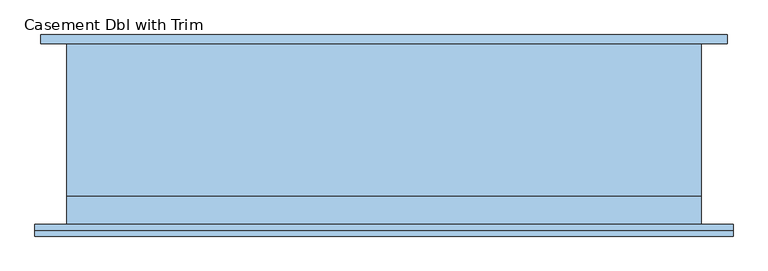
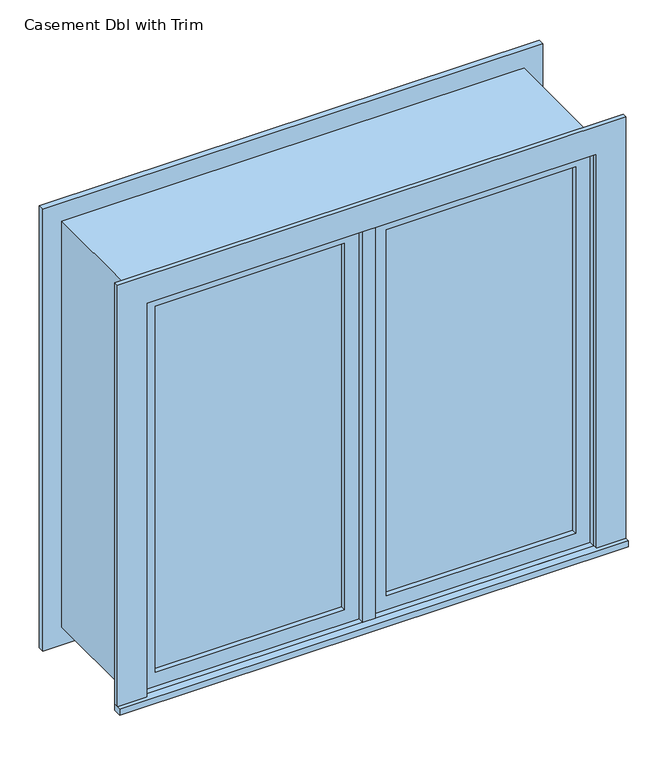
"""IFC4 building model written with IfcOpenShell, lengths in millimetres: window geometry, Casement Dbl with Trim."""

from ifc_helpers import new_model, si_unit, frame, origin, place, context, project, spatial, polyline, outline, extrude, source, transform, mapped, element, save


def casement_dbl_with_trim_906f9ae6(model_context):
    return source(origin(), model_context, "Body", "SweptSolid", [
        extrude(outline(polyline([(63.5, -184.125), (63.5, -171.425), (636.5, -171.425), (636.5, -184.125), (63.5, -184.125)])), frame((0.0, 0.0, 1363.5), z_axis=(0.0, 0.0, 1.0), x_axis=(1.0, 0.0, 0.0)), (0.0, 0.0, 1.0), 1173.0),
        extrude(outline(polyline([(2580.95, 19.05), (1319.05, 19.05), (1319.05, 680.95), (2580.95, 680.95), (2580.95, 19.05)]), holes=[polyline([(2536.5, 63.5), (2536.5, 636.5), (1363.5, 636.5), (1363.5, 63.5), (2536.5, 63.5)])]), frame((0.0, -200.0, 0.0), z_axis=(0.0, 1.0, 0.0), x_axis=(0.0, 0.0, 1.0)), (0.0, 0.0, 1.0), 44.45),
        extrude(outline(polyline([(19.05, -155.55), (19.05, -219.05), (-19.05, -219.05), (-19.05, -155.55), (19.05, -155.55)])), frame((0.0, 0.0, 1319.05), z_axis=(0.0, 0.0, 1.0), x_axis=(1.0, 0.0, 0.0)), (0.0, 0.0, 1.0), 1261.9),
        extrude(outline(polyline([(-769.85, -244.45), (-769.85, -219.05), (769.85, -219.05), (769.85, -244.45), (-769.85, -244.45)])), frame((0.0, 0.0, 1300.0), z_axis=(0.0, 0.0, 1.0), x_axis=(1.0, 0.0, 0.0)), (0.0, 0.0, 1.0), 19.05),
        extrude(outline(polyline([(2580.95, -680.95), (2580.95, 680.95), (1319.05, 680.95), (1319.05, 769.85), (2669.85, 769.85), (2669.85, -769.85), (1319.05, -769.85), (1319.05, -680.95), (2580.95, -680.95)])), frame((0.0, -231.75, 0.0), z_axis=(0.0, 1.0, 0.0), x_axis=(0.0, 0.0, 1.0)), (0.0, 0.0, 1.0), 12.7),
        extrude(outline(polyline([(2657.15, 757.15), (2657.15, -757.15), (1242.85, -757.15), (1242.85, 757.15), (2657.15, 757.15)]), holes=[polyline([(2568.25, 668.25), (1331.75, 668.25), (1331.75, -668.25), (2568.25, -668.25), (2568.25, 668.25)])]), frame((0.0, 180.95, 0.0), z_axis=(0.0, 1.0, 0.0), x_axis=(0.0, 0.0, 1.0)), (0.0, 0.0, 1.0), 19.05),
        extrude(outline(polyline([(-63.5, -171.425), (-63.5, -184.125), (-636.5, -184.125), (-636.5, -171.425), (-63.5, -171.425)])), frame((0.0, 0.0, 1363.5), z_axis=(0.0, 0.0, 1.0), x_axis=(1.0, 0.0, 0.0)), (0.0, 0.0, 1.0), 1173.0),
        extrude(outline(polyline([(2580.95, -680.95), (1319.05, -680.95), (1319.05, -19.05), (2580.95, -19.05), (2580.95, -680.95)]), holes=[polyline([(2536.5, -636.5), (2536.5, -63.5), (1363.5, -63.5), (1363.5, -636.5), (2536.5, -636.5)])]), frame((0.0, -200.0, 0.0), z_axis=(0.0, 1.0, 0.0), x_axis=(0.0, 0.0, 1.0)), (0.0, 0.0, 1.0), 44.45),
        extrude(outline(polyline([(2600.0, -700.0), (1300.0, -700.0), (1300.0, 700.0), (2600.0, 700.0), (2600.0, -700.0)]), holes=[polyline([(2568.25, -668.25), (2568.25, 668.25), (1331.75, 668.25), (1331.75, -668.25), (2568.25, -668.25)])]), frame((0.0, -155.55, 0.0), z_axis=(0.0, 1.0, 0.0), x_axis=(0.0, 0.0, 1.0)), (0.0, 0.0, 1.0), 336.5),
        extrude(outline(polyline([(2600.0, 700.0), (2600.0, -700.0), (1300.0, -700.0), (1300.0, 700.0), (2600.0, 700.0)]), holes=[polyline([(2580.95, 680.95), (1319.05, 680.95), (1319.05, -680.95), (2580.95, -680.95), (2580.95, 680.95)])]), frame((0.0, -219.05, 0.0), z_axis=(0.0, 1.0, 0.0), x_axis=(0.0, 0.0, 1.0)), (0.0, 0.0, 1.0), 63.5),
    ])


if __name__ == "__main__":
    model = new_model("IFC4")
    model_context = context("Model", 3, world=origin())
    ifc_project = project(units=[si_unit("LENGTHUNIT", "METRE", prefix="MILLI")], contexts=[model_context])
    site = spatial("IfcSite", under=ifc_project)
    building = spatial("IfcBuilding", under=site)
    placement = place(None, origin())
    casement_dbl_with_trim_shape = casement_dbl_with_trim_906f9ae6(model_context)
    element("IfcWindow", 1, ObjectType="Casement Dbl with Trim", at=placement, inside=building, context=model_context, shape_type="MappedRepresentation", body=[
        mapped(casement_dbl_with_trim_shape, transform((0.0, 0.0, 0.0), x_axis=(1.0, 0.0, 0.0), y_axis=(0.0, 1.0, 0.0), z_axis=(0.0, 0.0, 1.0))),
    ])
    save(model, "model.ifc")
